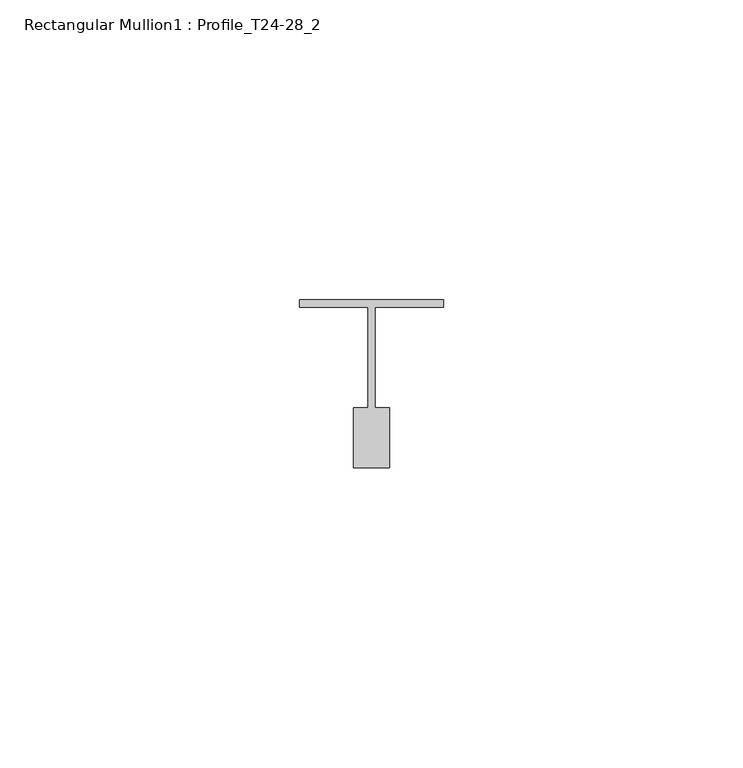
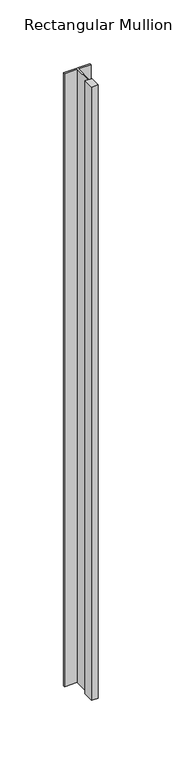
"""IFC4 building model written with IfcOpenShell, lengths in millimetres: member geometry, Rectangular Mullion1 : Profile_T24-28_2."""

from ifc_helpers import new_model, si_unit, frame, origin, place, context, project, spatial, polyline, outline, extrude, source, transform, mapped, element, save


def rectangular_mullion1_profile_t24_28_2_03b47543(model_context):
    return source(origin(), model_context, "Body", "SweptSolid", [
        extrude(outline(polyline([(-12.0, 3.0), (12.0, 3.0), (12.0, 1.75), (0.6, 1.75), (0.6, -15.0), (3.0, -15.0), (3.0, -25.0), (-3.0, -25.0), (-3.0, -15.0), (-0.6, -15.0), (-0.6, 1.75), (-12.0, 1.75), (-12.0, 3.0)])), frame((0.0, 0.0, -586.0), z_axis=(0.0, 0.0, 1.0), x_axis=(1.0, 0.0, 0.0)), (0.0, 0.0, 1.0), 586.0),
    ])


if __name__ == "__main__":
    model = new_model("IFC4")
    model_context = context("Model", 3, world=origin())
    ifc_project = project(units=[si_unit("LENGTHUNIT", "METRE", prefix="MILLI")], contexts=[model_context])
    site = spatial("IfcSite", under=ifc_project)
    building = spatial("IfcBuilding", under=site)
    placement = place(None, origin())
    rectangular_mullion1_profile_t24_28_2_shape = rectangular_mullion1_profile_t24_28_2_03b47543(model_context)
    element("IfcMember", 1, ObjectType="Rectangular Mullion1 : Profile_T24-28_2", at=placement, inside=building, context=model_context, shape_type="MappedRepresentation", body=[
        mapped(rectangular_mullion1_profile_t24_28_2_shape, transform((0.0, 0.0, 0.0), x_axis=(1.0, 0.0, 0.0), y_axis=(0.0, 1.0, 0.0), z_axis=(0.0, 0.0, 1.0))),
    ])
    save(model, "model.ifc")
